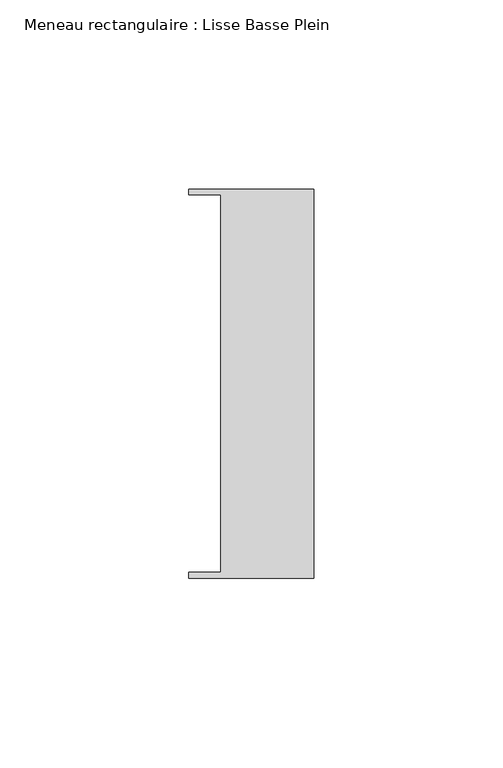
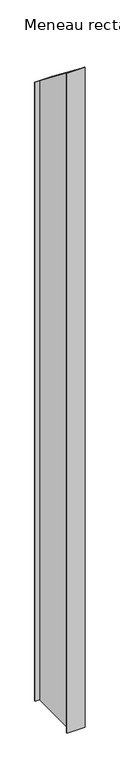
"""IFC4 building model written with IfcOpenShell, lengths in millimetres: member geometry, Meneau rectangulaire : Lisse Basse Plein."""

import ifcopenshell
import ifcopenshell.guid

model = None  # the IFC model being written
_history = None  # IfcOwnerHistory: only IFC2X3 demands one
_inside = {}  # id of a spatial element -> (the spatial element, [elements in it])
_under = {}  # id of a project, library or spatial element -> (it, [spatial elements below it])
_declared = {}  # id of a project -> (the project, [libraries it declares])
_typed = {}  # id of a type object -> (the type object, [elements of that type])
_made_of = {}  # id of a material, layer set ... -> (it, [elements and type objects made of it])


def new_model(schema):
    """Start an empty IFC model of exactly this schema.

    Asked for "IFC4X3", IfcOpenShell would pick the latest addendum, in which some entities
    have other attributes; the version numbers below select the first issue.
    IFC2X3 requires an IfcOwnerHistory on every rooted entity: one is made here for all.
    """
    global model, _history
    if schema == "IFC4X3":
        model = ifcopenshell.file(schema_version=(4, 3, 0, 0))
    else:
        model = ifcopenshell.file(schema=schema)
    _inside.clear()
    _under.clear()
    _declared.clear()
    _typed.clear()
    _made_of.clear()
    _history = None
    if model.schema == "IFC2X3":
        org = make("IfcOrganization", Name="unknown")
        user = make(
            "IfcPersonAndOrganization",
            ThePerson=make("IfcPerson", FamilyName="unknown"),
            TheOrganization=org,
        )
        app = make(
            "IfcApplication",
            ApplicationDeveloper=org,
            Version="unknown",
            ApplicationFullName="unknown",
            ApplicationIdentifier="unknown",
        )
        _history = make(
            "IfcOwnerHistory",
            OwningUser=user,
            OwningApplication=app,
            ChangeAction="ADDED",
            CreationDate=0,
        )
    return model


def make(cls, **values):
    """One entity of the class cls with the attributes given. An attribute that is None is left unset."""
    return model.create_entity(
        cls, **{name: value for name, value in values.items() if value is not None}
    )


def rooted(cls, **values):
    """An entity with a GlobalId (a new one), such as an element, a storey or a relation."""
    return make(cls, GlobalId=ifcopenshell.guid.new(), OwnerHistory=_history, **values)


def si_unit(unit_type, name, prefix=None):
    """IfcSIUnit, for example si_unit("LENGTHUNIT", "METRE", prefix="MILLI")."""
    return make("IfcSIUnit", UnitType=unit_type, Prefix=prefix, Name=name)


def assignment(units):
    """IfcUnitAssignment: the units of a project."""
    return None if units is None else make("IfcUnitAssignment", Units=units)


def point(xyz):
    """IfcCartesianPoint."""
    return None if xyz is None else make("IfcCartesianPoint", Coordinates=xyz)


def direction(xyz):
    """IfcDirection."""
    return None if xyz is None else make("IfcDirection", DirectionRatios=xyz)


def frame(location, z_axis=None, x_axis=None):
    """IfcAxis2Placement3D, a coordinate frame: its origin and axes. An axis left out is left unset."""
    return make(
        "IfcAxis2Placement3D",
        Location=point(location),
        Axis=direction(z_axis),
        RefDirection=direction(x_axis),
    )


def origin():
    """The frame at (0, 0, 0) with its axes left unset."""
    return frame((0.0, 0.0, 0.0))


def place(relative_to, where):
    """IfcLocalPlacement: puts the frame where relative to a parent placement (None: the world)."""
    return make(
        "IfcLocalPlacement", PlacementRelTo=relative_to, RelativePlacement=where
    )


def context(
    kind, dimensions, precision=None, world=None, true_north=None, identifier=None
):
    """IfcGeometricRepresentationContext, for example the 3D "Model" context."""
    return make(
        "IfcGeometricRepresentationContext",
        ContextIdentifier=identifier,
        ContextType=kind,
        CoordinateSpaceDimension=dimensions,
        Precision=precision,
        WorldCoordinateSystem=world,
        TrueNorth=true_north,
    )


def project(units=None, contexts=None):
    """IfcProject with its units and contexts."""
    return rooted(
        "IfcProject",
        Name="project",
        RepresentationContexts=contexts,
        UnitsInContext=assignment(units),
    )


def spatial(cls, under=None, at=None, **own):
    """A site, building, storey or space (cls), placed at a placement, below another one or the project."""
    s = rooted(cls, ObjectPlacement=at, **own)
    if under is not None:
        _under.setdefault(under.id(), (under, []))[1].append(s)
    return s


def faces_of(points, faces, orient=None, outer=None):
    """IfcFace entities. A face is a list of loops; a loop is a list of indices into points, from 0.

    orient and outer hold one flag for each loop. By default every Orientation is true, the
    first loop of a face is its IfcFaceOuterBound and the others are IfcFaceBound.
    """
    made = []
    for i, loops in enumerate(faces):
        bounds = []
        for j, loop in enumerate(loops):
            is_outer = j == 0 if outer is None else outer[i][j]
            bounds.append(
                make(
                    "IfcFaceOuterBound" if is_outer else "IfcFaceBound",
                    Bound=make("IfcPolyLoop", Polygon=[points[k] for k in loop]),
                    Orientation=True if orient is None else orient[i][j],
                )
            )
        made.append(make("IfcFace", Bounds=bounds))
    return made


def faceted_brep(points, faces, orient=None, outer=None, voids=None):
    """IfcFacetedBrep: a solid bounded by flat faces; with voids (closed shells), ...WithVoids."""
    shared = [point(p) for p in points]
    hull = make("IfcClosedShell", CfsFaces=faces_of(shared, faces, orient, outer))
    if voids is None:
        return make("IfcFacetedBrep", Outer=hull)
    return make(
        "IfcFacetedBrepWithVoids",
        Outer=hull,
        Voids=[
            make(cls, CfsFaces=faces_of(shared, fs, o, b)) for cls, fs, o, b in voids
        ],
    )


def shape(context_of_items, identifier, shape_type, items):
    """IfcShapeRepresentation: the items that make up one representation, for example the "Body"."""
    return make(
        "IfcShapeRepresentation",
        ContextOfItems=context_of_items,
        RepresentationIdentifier=identifier,
        RepresentationType=shape_type,
        Items=items,
    )


def source(mapping_origin, context_of_items, identifier, shape_type, items):
    """IfcRepresentationMap: a shape defined once, which mapped items show again and again."""
    return make(
        "IfcRepresentationMap",
        MappingOrigin=mapping_origin,
        MappedRepresentation=shape(context_of_items, identifier, shape_type, items),
    )


def transform(
    local_origin,
    x_axis=None,
    y_axis=None,
    z_axis=None,
    scale=None,
    scale2=None,
    scale3=None,
    uniform=True,
):
    """IfcCartesianTransformationOperator3D, or its non-uniform kind. x_axis, y_axis, z_axis: its Axis1, 2, 3."""
    if uniform:
        return make(
            "IfcCartesianTransformationOperator3D",
            Axis1=direction(x_axis),
            Axis2=direction(y_axis),
            LocalOrigin=point(local_origin),
            Scale=scale,
            Axis3=direction(z_axis),
        )
    return make(
        "IfcCartesianTransformationOperator3DnonUniform",
        Axis1=direction(x_axis),
        Axis2=direction(y_axis),
        LocalOrigin=point(local_origin),
        Scale=scale,
        Axis3=direction(z_axis),
        Scale2=scale2,
        Scale3=scale3,
    )


def mapped(mapping_source, mapping_target):
    """IfcMappedItem: shows the shape of a source again, moved by a transform."""
    return make(
        "IfcMappedItem", MappingSource=mapping_source, MappingTarget=mapping_target
    )


def made_of(thing, what):
    """Note that an element or type object is made of a material, layer set ...; save() writes the relation."""
    if what is not None:
        _made_of.setdefault(what.id(), (what, []))[1].append(thing)
    return thing


def element(
    cls,
    number,
    at=None,
    inside=None,
    cuts=None,
    type_object=None,
    material=None,
    context=None,
    identifier="Body",
    shape_type=None,
    held_by="IfcProductDefinitionShape",
    body=None,
    shapes=None,
    **own,
):
    """One element of the class cls, such as IfcWall. Its Tag is "e" and its number.

    at: its placement. inside: the storey or other place that contains it. cuts: it is an
    opening in that element (IfcRelVoidsElement). A single representation is given by context,
    identifier, shape_type and body (its items); several are given by shapes. held_by: the class
    of the entity that holds the representations. save() writes the other relations.
    """
    e = rooted(cls, Tag="e%d" % number, ObjectPlacement=at, **own)
    if body is not None:
        shapes = [shape(context, identifier, shape_type, body)]
    if shapes is not None:
        e.Representation = make(held_by, Representations=shapes)
    if inside is not None:
        _inside.setdefault(inside.id(), (inside, []))[1].append(e)
    if cuts is not None:
        rooted(
            "IfcRelVoidsElement", RelatingBuildingElement=cuts, RelatedOpeningElement=e
        )
    if type_object is not None:
        _typed.setdefault(type_object.id(), (type_object, []))[1].append(e)
    return made_of(e, material)


def aggregate(whole, parts):
    """IfcRelAggregates: a whole, such as a stair, and the parts it consists of."""
    return rooted("IfcRelAggregates", RelatingObject=whole, RelatedObjects=parts)


def save(model, path):
    """Write the relations noted so far, then the file.

    IfcRelAggregates (storeys below a building ...), IfcRelContainedInSpatialStructure (elements
    in a storey), IfcRelDefinesByType, IfcRelAssociatesMaterial and IfcRelDeclares: one each for
    every whole, place, type object, material and project.
    """
    for whole, parts in _under.values():
        aggregate(whole, parts)
    for where, things in _inside.values():
        rooted(
            "IfcRelContainedInSpatialStructure",
            RelatedElements=things,
            RelatingStructure=where,
        )
    for kind, things in _typed.values():
        rooted("IfcRelDefinesByType", RelatedObjects=things, RelatingType=kind)
    for what, things in _made_of.values():
        rooted("IfcRelAssociatesMaterial", RelatedObjects=things, RelatingMaterial=what)
    for by, libraries in _declared.values():
        rooted("IfcRelDeclares", RelatingContext=by, RelatedDefinitions=libraries)
    model.write(path)


def meneau_rectangulaire_lisse_basse_plein_46593481(model_context):
    return source(origin(), model_context, "Body", "Brep", [
        faceted_brep([(0.0, -51.5026203, -1238.1500003), (-33.0710396, -51.5026203, -1238.1500003), (-33.0710396, -49.9505686, -1238.1500003), (-24.7130865, -49.9505686, -1238.1500003), (-24.7130865, 49.9505686, -1238.1500003), (-33.0710396, 49.9505686, -1238.1500003), (-33.0710396, 51.5026203, -1238.1500003), (0.0, 51.5026203, -1238.1500003), (0.0, 51.5026203, -40.1575848), (0.0, -51.5026203, 40.1575848), (-33.0710396, 51.5026203, -40.1575848), (-33.0710396, 49.9505686, -38.9474202), (-24.7130865, 49.9505686, -38.9474202), (-24.7130865, -49.9505686, 38.9474202), (-33.0710396, -49.9505686, 38.9474202), (-33.0710396, -51.5026203, 40.1575848)], [[[0, 1, 2, 3, 4, 5, 6, 7]], [[8, 9, 0, 7]], [[10, 8, 7, 6]], [[11, 10, 6, 5]], [[12, 11, 5, 4]], [[13, 12, 4, 3]], [[14, 13, 3, 2]], [[15, 14, 2, 1]], [[9, 15, 1, 0]], [[9, 8, 10, 11, 12, 13, 14, 15]]]),
    ])


if __name__ == "__main__":
    model = new_model("IFC4")
    model_context = context("Model", 3, world=origin())
    ifc_project = project(units=[si_unit("LENGTHUNIT", "METRE", prefix="MILLI")], contexts=[model_context])
    site = spatial("IfcSite", under=ifc_project)
    building = spatial("IfcBuilding", under=site)
    placement = place(None, origin())
    meneau_rectangulaire_lisse_basse_plein_shape = meneau_rectangulaire_lisse_basse_plein_46593481(model_context)
    element("IfcMember", 1, ObjectType="Meneau rectangulaire : Lisse Basse Plein", at=placement, inside=building, context=model_context, shape_type="MappedRepresentation", body=[
        mapped(meneau_rectangulaire_lisse_basse_plein_shape, transform((0.0, 0.0, 0.0), x_axis=(1.0, 0.0, 0.0), y_axis=(0.0, 1.0, 0.0), z_axis=(0.0, 0.0, 1.0))),
    ])
    save(model, "model.ifc")
